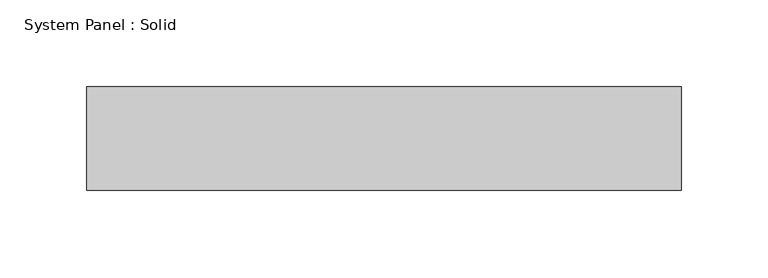
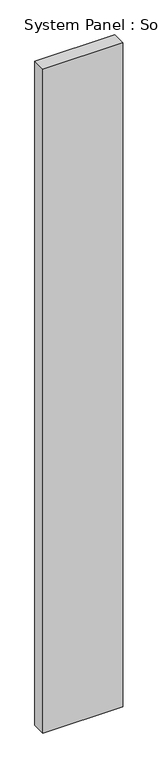
"""IFC4 building model written with IfcOpenShell, lengths in millimetres: plate geometry, System Panel : Solid."""

from ifc_helpers import new_model, si_unit, origin, origin_with_axes, place, context, project, spatial, polyline, outline, extrude, source, transform, mapped, element, save


def system_panel_solid_be14732f(model_context):
    return source(origin(), model_context, "Body", "SweptSolid", [
        extrude(outline(polyline([(171.7915984, -10.5), (-171.7915984, -10.5), (-171.7915984, 49.5), (171.7915984, 49.5), (171.7915984, -10.5)])), origin_with_axes(), (0.0, 0.0, 1.0), 3018.3328001),
    ])


if __name__ == "__main__":
    model = new_model("IFC4")
    model_context = context("Model", 3, world=origin())
    ifc_project = project(units=[si_unit("LENGTHUNIT", "METRE", prefix="MILLI")], contexts=[model_context])
    site = spatial("IfcSite", under=ifc_project)
    building = spatial("IfcBuilding", under=site)
    placement = place(None, origin())
    system_panel_solid_shape = system_panel_solid_be14732f(model_context)
    element("IfcPlate", 1, ObjectType="System Panel : Solid", at=placement, inside=building, context=model_context, shape_type="MappedRepresentation", body=[
        mapped(system_panel_solid_shape, transform((0.0, 0.0, 0.0), x_axis=(1.0, 0.0, 0.0), y_axis=(0.0, 1.0, 0.0), z_axis=(0.0, 0.0, 1.0))),
    ])
    save(model, "model.ifc")
